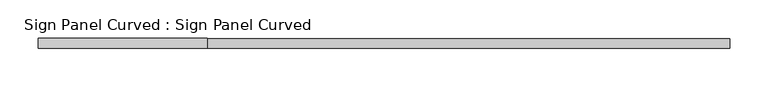
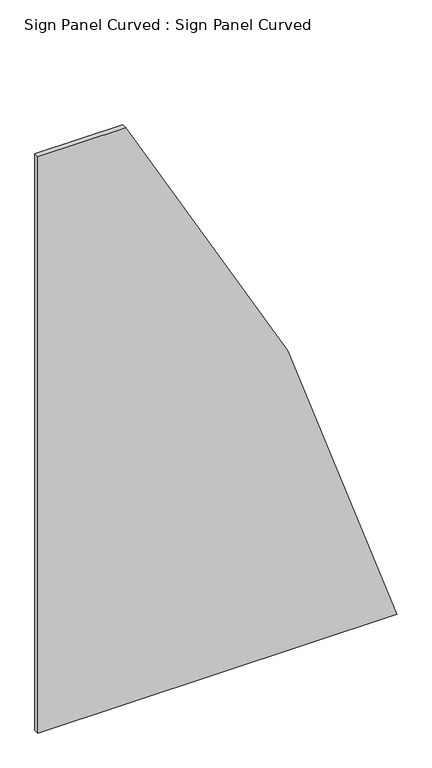
"""IFC4 building model written with IfcOpenShell, lengths in millimetres: proxy geometry, Sign Panel Curved : Sign Panel Curved."""

from ifc_helpers import new_model, si_unit, point, frame, frame_2d, origin, place, context, project, spatial, polyline, circle_curve, trimmed, segment, composite_curve, outline, extrude, source, transform, mapped, element, save


def sign_panel_curved_sign_panel_curved_0c72b50b(model_context):
    return source(origin(), model_context, "Body", "SweptSolid", [
        extrude(outline(composite_curve([segment(polyline([(4410.9592564, 229372.6846812), (4410.9592564, 229153.2228488), (2886.9592564, 229153.2228488), (2886.9592564, 230051.5387689)]), True, "CONTINUOUS"), segment(trimmed(circle_curve(frame_2d((1721.9640535, 225386.0853488)), 4808.7076682), [point((2886.9592564, 230051.5387689))], [point((4410.9592564, 229372.6846812))], False, "CARTESIAN"), True, "CONTINUOUS")], self_intersect=False)), frame((0.0, 158623.7596581, 0.0), z_axis=(0.0, 1.0, 0.0), x_axis=(0.0, 0.0, 1.0)), (0.0, 0.0, 1.0), 12.7),
    ])


if __name__ == "__main__":
    model = new_model("IFC4")
    model_context = context("Model", 3, world=origin())
    ifc_project = project(units=[si_unit("LENGTHUNIT", "METRE", prefix="MILLI")], contexts=[model_context])
    site = spatial("IfcSite", under=ifc_project)
    building = spatial("IfcBuilding", under=site)
    placement = place(None, origin())
    sign_panel_curved_sign_panel_curved_shape = sign_panel_curved_sign_panel_curved_0c72b50b(model_context)
    element("IfcBuildingElementProxy", 1, Name="Sign Panel Curved : Sign Panel Curved", ObjectType="Sign Panel Curved : Sign Panel Curved", at=placement, inside=building, context=model_context, shape_type="MappedRepresentation", body=[
        mapped(sign_panel_curved_sign_panel_curved_shape, transform((0.0, 0.0, 0.0), x_axis=(1.0, 0.0, 0.0), y_axis=(0.0, 1.0, 0.0), z_axis=(0.0, 0.0, 1.0))),
    ])
    save(model, "model.ifc")
